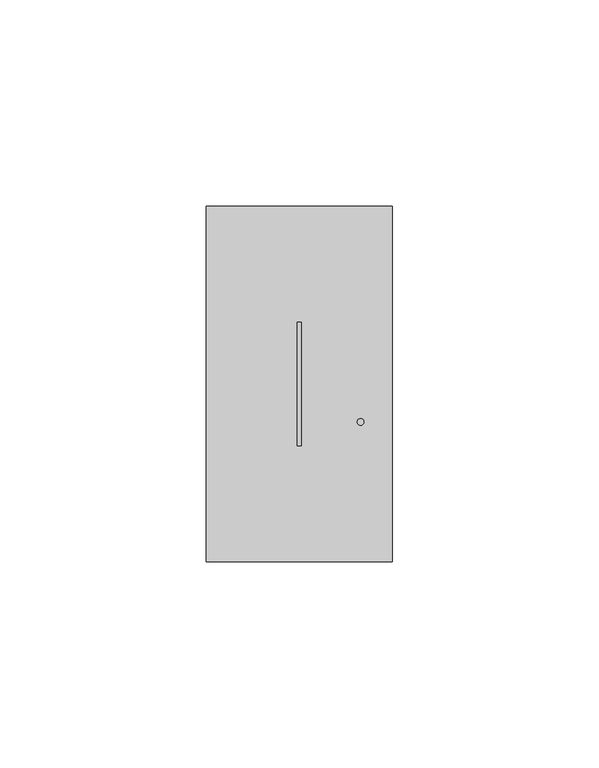
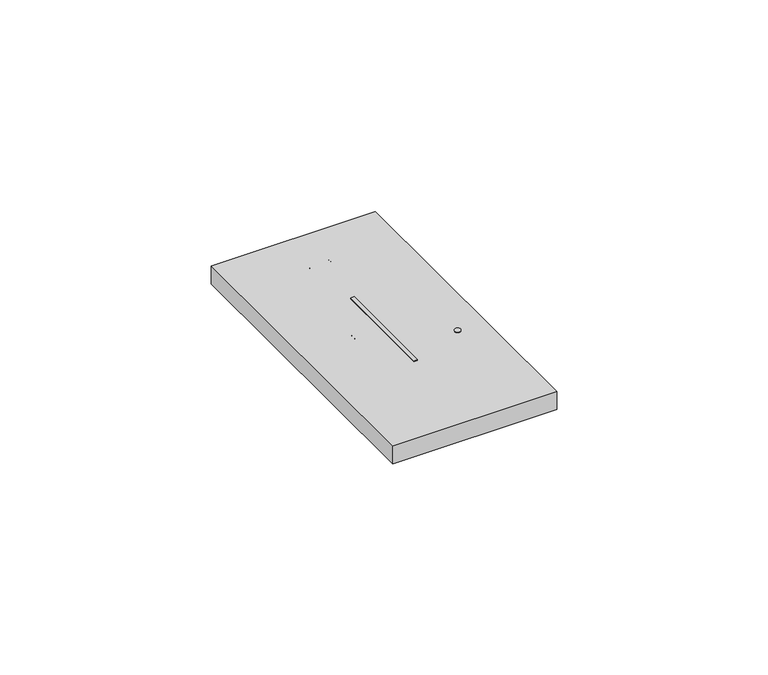
"""IFC4 building model written with IfcOpenShell, lengths in millimetres: proxy geometry."""

from ifc_helpers import new_model, si_unit, point, frame, frame_2d, origin, place, context, project, spatial, polyline, circle_curve, trimmed, segment, composite_curve, outline, extrude, source, transform, mapped, element, save


def electrical_fixtures_9e857d25(model_context):
    return source(origin(), model_context, "Body", "SweptSolid", [
        extrude(outline(polyline([(22.0, 58.0), (23.0, 58.0), (23.0, 28.0), (22.0, 28.0), (22.0, 58.0)])), frame((0.0, 0.0, 5.5), z_axis=(0.0, 0.0, 1.0), x_axis=(1.0, 0.0, 0.0)), (0.0, 0.0, 1.0), 5.2),
        extrude(outline(composite_curve([segment(trimmed(circle_curve(frame_2d((37.3398708, 33.8172521)), 0.8), [point((36.5398708, 33.8172521))], [point((38.1398708, 33.8172521))], False, "CARTESIAN"), True, "CONTINUOUS"), segment(trimmed(circle_curve(frame_2d((37.3398708, 33.8172521)), 0.8), [point((38.1398708, 33.8172521))], [point((36.5398708, 33.8172521))], False, "CARTESIAN"), True, "CONTINUOUS")], self_intersect=False)), frame((0.0, 0.0, 5.5), z_axis=(0.0, 0.0, 1.0), x_axis=(1.0, 0.0, 0.0)), (0.0, 0.0, 1.0), 5.2),
        extrude(outline(polyline([(0.0, 0.0), (0.0, 86.0), (45.0, 86.0), (45.0, 0.0), (0.0, 0.0)]), holes=[polyline([(22.0, 58.0), (22.0, 28.0), (23.0, 28.0), (23.0, 58.0), (22.0, 58.0)]), composite_curve([segment(trimmed(circle_curve(frame_2d((37.3398708, 33.8172521)), 0.8), [point((36.5398708, 33.8172521))], [point((38.1398708, 33.8172521))], True, "CARTESIAN"), True, "CONTINUOUS"), segment(trimmed(circle_curve(frame_2d((37.3398708, 33.8172521)), 0.8), [point((38.1398708, 33.8172521))], [point((36.5398708, 33.8172521))], True, "CARTESIAN"), True, "CONTINUOUS")], self_intersect=False)]), frame((0.0, 0.0, 5.5), z_axis=(0.0, 0.0, 1.0), x_axis=(1.0, 0.0, 0.0)), (0.0, 0.0, 1.0), 5.2),
        extrude(outline(composite_curve([segment(polyline([(19.7592079, 74.3175033), (22.5, 75.8674578), (25.2407962, 74.3175011)]), True, "CONTINUOUS"), segment(trimmed(circle_curve(frame_2d((25.108088, 74.0828325)), 0.2695938), [point((25.2407962, 74.3175011))], [point((24.9753797, 73.8481639))], False, "CARTESIAN"), True, "CONTINUOUS"), segment(polyline([(24.9753797, 73.8481639), (22.5, 75.2480241), (20.0246243, 73.8481662)]), True, "CONTINUOUS"), segment(trimmed(circle_curve(frame_2d((19.8919161, 74.0828348)), 0.2695938), [point((20.0246243, 73.8481662))], [point((19.7592079, 74.3175033))], False, "CARTESIAN"), True, "CONTINUOUS")], self_intersect=False)), frame((0.0, 0.0, 10.7), z_axis=(0.0, 0.0, 1.0), x_axis=(1.0, 0.0, 0.0)), (0.0, 0.0, 1.0), 0.1652311),
        extrude(outline(composite_curve([segment(polyline([(14.4966743, 44.2699983), (30.5033298, 44.2699983)]), True, "CONTINUOUS"), segment(trimmed(circle_curve(frame_2d((30.5033298, 44.0206464)), 0.249352), [point((30.5033298, 44.2699983))], [point((30.5033298, 43.7712944))], False, "CARTESIAN"), True, "CONTINUOUS"), segment(polyline([(30.5033298, 43.7712944), (14.4966743, 43.7712944)]), True, "CONTINUOUS"), segment(trimmed(circle_curve(frame_2d((14.4966743, 44.0206464)), 0.249352), [point((14.4966743, 43.7712944))], [point((14.4966743, 44.2699983))], False, "CARTESIAN"), True, "CONTINUOUS")], self_intersect=False)), frame((0.0, 0.0, 10.7), z_axis=(0.0, 0.0, 1.0), x_axis=(1.0, 0.0, 0.0)), (0.0, 0.0, 1.0), 0.1652311),
        extrude(outline(composite_curve([segment(trimmed(circle_curve(frame_2d((19.8919161, 11.9171652)), 0.2695938), [point((19.7592079, 11.6824967))], [point((20.0246243, 12.1518338))], False, "CARTESIAN"), True, "CONTINUOUS"), segment(polyline([(20.0246243, 12.1518338), (22.5, 10.7519759), (24.9753797, 12.1518361)]), True, "CONTINUOUS"), segment(trimmed(circle_curve(frame_2d((25.108088, 11.9171675)), 0.2695938), [point((24.9753797, 12.1518361))], [point((25.2407962, 11.6824989))], False, "CARTESIAN"), True, "CONTINUOUS"), segment(polyline([(25.2407962, 11.6824989), (22.5, 10.1325422), (19.7592079, 11.6824967)]), True, "CONTINUOUS")], self_intersect=False)), frame((0.0, 0.0, 10.7), z_axis=(0.0, 0.0, 1.0), x_axis=(1.0, 0.0, 0.0)), (0.0, 0.0, 1.0), 0.1652311),
        extrude(outline(composite_curve([segment(trimmed(circle_curve(frame_2d((19.8716743, 73.2222454)), 0.249352), [point((19.8716743, 72.9728934))], [point((19.8716743, 73.4715974))], False, "CARTESIAN"), True, "CONTINUOUS"), segment(polyline([(19.8716743, 73.4715974), (25.1283298, 73.4715974)]), True, "CONTINUOUS"), segment(trimmed(circle_curve(frame_2d((25.1283298, 73.2222454)), 0.249352), [point((25.1283298, 73.4715974))], [point((25.1283298, 72.9728934))], False, "CARTESIAN"), True, "CONTINUOUS"), segment(polyline([(25.1283298, 72.9728934), (19.8716743, 72.9728934)]), True, "CONTINUOUS")], self_intersect=False)), frame((0.0, 0.0, 10.7), z_axis=(0.0, 0.0, 1.0), x_axis=(1.0, 0.0, 0.0)), (0.0, 0.0, 1.0), 0.1652311),
        extrude(outline(composite_curve([segment(polyline([(14.4966743, 42.840784), (30.5033298, 42.840784)]), True, "CONTINUOUS"), segment(trimmed(circle_curve(frame_2d((30.5033298, 42.591432)), 0.249352), [point((30.5033298, 42.840784))], [point((30.5033298, 42.34208))], False, "CARTESIAN"), True, "CONTINUOUS"), segment(polyline([(30.5033298, 42.34208), (14.4966743, 42.34208)]), True, "CONTINUOUS"), segment(trimmed(circle_curve(frame_2d((14.4966743, 42.591432)), 0.249352), [point((14.4966743, 42.34208))], [point((14.4966743, 42.840784))], False, "CARTESIAN"), True, "CONTINUOUS")], self_intersect=False)), frame((0.0, 0.0, 10.7), z_axis=(0.0, 0.0, 1.0), x_axis=(1.0, 0.0, 0.0)), (0.0, 0.0, 1.0), 0.1652311),
        extrude(outline(composite_curve([segment(trimmed(circle_curve(frame_2d((19.8716743, 12.6535816)), 0.249352), [point((19.8716743, 12.4042296))], [point((19.8716743, 12.9029336))], False, "CARTESIAN"), True, "CONTINUOUS"), segment(polyline([(19.8716743, 12.9029336), (25.1283298, 12.9029336)]), True, "CONTINUOUS"), segment(trimmed(circle_curve(frame_2d((25.1283298, 12.6535816)), 0.249352), [point((25.1283298, 12.9029336))], [point((25.1283298, 12.4042296))], False, "CARTESIAN"), True, "CONTINUOUS"), segment(polyline([(25.1283298, 12.4042296), (19.8716743, 12.4042296)]), True, "CONTINUOUS")], self_intersect=False)), frame((0.0, 0.0, 10.7), z_axis=(0.0, 0.0, 1.0), x_axis=(1.0, 0.0, 0.0)), (0.0, 0.0, 1.0), 0.1652311),
    ])


if __name__ == "__main__":
    model = new_model("IFC4")
    model_context = context("Model", 3, world=origin())
    ifc_project = project(units=[si_unit("LENGTHUNIT", "METRE", prefix="MILLI")], contexts=[model_context])
    site = spatial("IfcSite", under=ifc_project)
    building = spatial("IfcBuilding", under=site)
    placement = place(None, origin())
    electrical_fixtures_shape = electrical_fixtures_9e857d25(model_context)
    element("IfcBuildingElementProxy", 1, Name="Electrical Fixtures", at=placement, inside=building, context=model_context, shape_type="MappedRepresentation", body=[
        mapped(electrical_fixtures_shape, transform((0.0, 0.0, 0.0), x_axis=(1.0, 0.0, 0.0), y_axis=(0.0, 1.0, 0.0), z_axis=(0.0, 0.0, 1.0))),
    ])
    save(model, "model.ifc")
